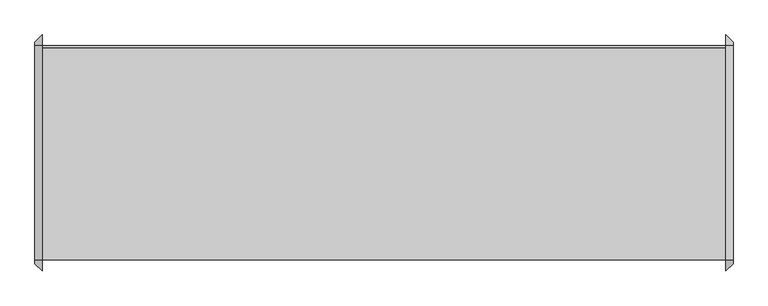
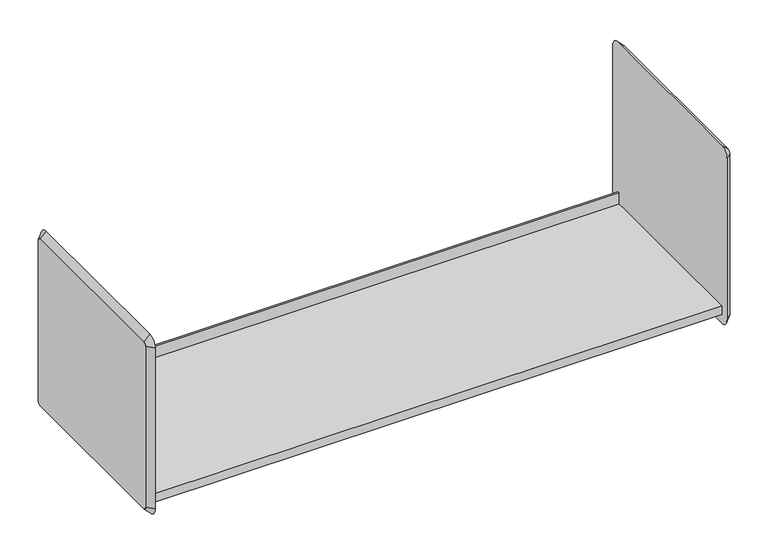
"""IFC4 building model written with IfcOpenShell, lengths in millimetres: furniture geometry."""

from ifc_helpers import new_model, si_unit, frame, origin, place, context, project, spatial, polyline, circle_curve, outline, extrude, source, transform, mapped, element, save
from ifc_brep_helpers import plane_surface, revolved_surface, advanced_brep


def furniture_516f6b5f(model_context):
    return source(origin(), model_context, "Body", "SolidModel", [
        extrude(outline(polyline([(-174.625, 152.4), (196.85, 152.4), (196.85, 177.8), (200.025, 177.8), (200.025, 133.3152313), (-174.625, 133.3152313), (-174.625, 152.4)])), frame((-720.8420045, 0.0, 0.0), z_axis=(1.0, 0.0, 0.0), x_axis=(0.0, 1.0, 0.0)), (0.0, 0.0, 1.0), 1193.8),
        advanced_brep(
        [(485.6579955, 200.025, 495.3), (485.6579955, -174.625, 495.3), (485.6579955, -180.975, 488.95), (485.6579955, -180.975, 133.35), (485.6579955, -174.625, 127.0), (485.6579955, 200.025, 127.0), (485.6579955, 206.375, 133.35), (485.6579955, 206.375, 488.95), (472.9579955, 200.025, 508.0), (472.9579955, 219.075, 488.95), (472.9579955, 219.075, 133.35), (472.9579955, 200.025, 114.3), (472.9579955, -174.625, 114.3), (472.9579955, -193.675, 133.35), (472.9579955, -193.675, 488.95), (472.9579955, -174.625, 508.0)],
        [
            (0, 1),
            (1, 2, circle_curve(frame((485.6579955, -174.625, 488.95), z_axis=(1.0, 0.0, 0.0), x_axis=(0.0, 0.0, 1.0)), 6.35)),
            (2, 3),
            (3, 4, circle_curve(frame((485.6579955, -174.625, 133.35), z_axis=(1.0, 0.0, 0.0), x_axis=(0.0, -1.0, 0.0)), 6.35)),
            (4, 5),
            (5, 6, circle_curve(frame((485.6579955, 200.025, 133.35), z_axis=(1.0, 0.0, 0.0), x_axis=(0.0, 0.0, -1.0)), 6.35)),
            (6, 7),
            (7, 0, circle_curve(frame((485.6579955, 200.025, 488.95), z_axis=(1.0, 0.0, 0.0), x_axis=(0.0, 1.0, 0.0)), 6.35)),
            (8, 9, circle_curve(frame((472.9579955, 200.025, 488.95), z_axis=(-1.0, 0.0, 0.0), x_axis=(0.0, 1.0, 0.0)), 19.05)),
            (9, 10),
            (10, 11, circle_curve(frame((472.9579955, 200.025, 133.35), z_axis=(-1.0, 0.0, 0.0), x_axis=(0.0, 0.0, -1.0)), 19.05)),
            (11, 12),
            (12, 13, circle_curve(frame((472.9579955, -174.625, 133.35), z_axis=(-1.0, 0.0, 0.0), x_axis=(0.0, -1.0, 0.0)), 19.05)),
            (13, 14),
            (14, 15, circle_curve(frame((472.9579955, -174.625, 488.95), z_axis=(-1.0, 0.0, 0.0), x_axis=(0.0, 0.0, 1.0)), 19.05)),
            (15, 8),
            (15, 1),
            (0, 8),
            (14, 2),
            (13, 3),
            (12, 4),
            (11, 5),
            (10, 6),
            (9, 7),
        ],
        [
            plane_surface(frame((485.6579955, 12.7, 311.15), z_axis=(1.0, 0.0, 0.0), x_axis=(0.0, -1.0, 0.0))),
            plane_surface(frame((472.9579955, 12.7, 311.15), z_axis=(-1.0, 0.0, 0.0), x_axis=(0.0, -1.0, 0.0))),
            plane_surface(frame((472.9579955, 12.7, 508.0), z_axis=(0.7071067811862932, 0.0, 0.7071067811868019), x_axis=(0.0, -1.0, 0.0))),
            revolved_surface(polyline([(485.6579955, -174.625, 495.29999999999995), (472.9579955, -174.625, 508.0)]), (492.0079955, -174.625, 488.95), (-1.0, 0.0, 0.0)),
            plane_surface(frame((472.9579955, -193.675, 311.15), z_axis=(0.7071067811862574, -0.7071067811868377, 0.0), x_axis=(0.0, 0.0, -1.0))),
            revolved_surface(polyline([(485.6579955, -180.97499999999997, 133.35), (472.9579955, -193.675, 133.35)]), (492.0079955, -174.625, 133.35), (-1.0, 0.0, 0.0)),
            plane_surface(frame((472.9579955, 12.7, 114.3), z_axis=(0.7071067811862498, 0.0, -0.7071067811868452), x_axis=(0.0, 1.0, 0.0))),
            revolved_surface(polyline([(485.6579955, 200.025, 127.00000000000003), (472.9579955, 200.025, 114.3)]), (492.0079955, 200.025, 133.35), (-1.0, 0.0, 0.0)),
            plane_surface(frame((472.9579955, 219.075, 311.15), z_axis=(0.7071067811862565, 0.7071067811868387, 0.0), x_axis=(0.0, 0.0, 1.0))),
            revolved_surface(polyline([(485.6579955, 206.37499999999997, 488.95), (472.9579955, 219.075, 488.95)]), (492.0079955, 200.025, 488.95), (-1.0, 0.0, 0.0)),
        ],
        [
            (0, [[1, 2, 3, 4, 5, 6, 7, 8]]),
            (1, [[9, 10, 11, 12, 13, 14, 15, 16]]),
            (2, [[-16, 17, -1, 18]]),
            (3, [[-15, 19, -2, -17]]),
            (4, [[-14, 20, -3, -19]]),
            (5, [[-13, 21, -4, -20]]),
            (6, [[-12, 22, -5, -21]]),
            (7, [[-11, 23, -6, -22]]),
            (8, [[-10, 24, -7, -23]]),
            (9, [[-9, -18, -8, -24]]),
        ],
    ),
        advanced_brep(
        [(-733.5420045, -174.625, 495.3), (-733.5420045, 200.025, 495.3), (-733.5420045, 206.375, 488.95), (-733.5420045, 206.375, 133.35), (-733.5420045, 200.025, 127.0), (-733.5420045, -174.625, 127.0), (-733.5420045, -180.975, 133.35), (-733.5420045, -180.975, 488.95), (-720.8420045, -174.625, 508.0), (-720.8420045, -193.675, 488.95), (-720.8420045, -193.675, 133.35), (-720.8420045, -174.625, 114.3), (-720.8420045, 200.025, 114.3), (-720.8420045, 219.075, 133.35), (-720.8420045, 219.075, 488.95), (-720.8420045, 200.025, 508.0)],
        [
            (0, 1),
            (1, 2, circle_curve(frame((-733.5420045, 200.025, 488.95), z_axis=(-1.0, 0.0, 0.0), x_axis=(0.0, 0.0, 1.0)), 6.35)),
            (2, 3),
            (3, 4, circle_curve(frame((-733.5420045, 200.025, 133.35), z_axis=(-1.0, 0.0, 0.0), x_axis=(0.0, 1.0, 0.0)), 6.35)),
            (4, 5),
            (5, 6, circle_curve(frame((-733.5420045, -174.625, 133.35), z_axis=(-1.0, 0.0, 0.0), x_axis=(0.0, 0.0, -1.0)), 6.35)),
            (6, 7),
            (7, 0, circle_curve(frame((-733.5420045, -174.625, 488.95), z_axis=(-1.0, 0.0, 0.0), x_axis=(0.0, -1.0, 0.0)), 6.35)),
            (8, 9, circle_curve(frame((-720.8420045, -174.625, 488.95), z_axis=(1.0, 0.0, 0.0), x_axis=(0.0, -1.0, 0.0)), 19.05)),
            (9, 10),
            (10, 11, circle_curve(frame((-720.8420045, -174.625, 133.35), z_axis=(1.0, 0.0, 0.0), x_axis=(0.0, 0.0, -1.0)), 19.05)),
            (11, 12),
            (12, 13, circle_curve(frame((-720.8420045, 200.025, 133.35), z_axis=(1.0, 0.0, 0.0), x_axis=(0.0, 1.0, 0.0)), 19.05)),
            (13, 14),
            (14, 15, circle_curve(frame((-720.8420045, 200.025, 488.95), z_axis=(1.0, 0.0, 0.0), x_axis=(0.0, 0.0, 1.0)), 19.05)),
            (15, 8),
            (15, 1),
            (0, 8),
            (14, 2),
            (13, 3),
            (12, 4),
            (11, 5),
            (10, 6),
            (9, 7),
        ],
        [
            plane_surface(frame((-733.5420045, 12.7, 311.15), z_axis=(-1.0, 0.0, 0.0), x_axis=(0.0, -1.0, 0.0))),
            plane_surface(frame((-720.8420045, 12.7, 311.15), z_axis=(1.0, 0.0, 0.0), x_axis=(0.0, -1.0, 0.0))),
            plane_surface(frame((-720.8420045, 12.7, 508.0), z_axis=(-0.7071067811865249, 0.0, 0.7071067811865701), x_axis=(0.0, 1.0, 0.0))),
            revolved_surface(polyline([(-733.5420045, 200.025, 495.3), (-720.8420045, 200.025, 508.0)]), (-739.8920045, 200.025, 488.95), (1.0, 0.0, 0.0)),
            plane_surface(frame((-720.8420045, 219.075, 311.15), z_axis=(-0.7071067811865598, 0.7071067811865354, 0.0), x_axis=(0.0, 0.0, -1.0))),
            revolved_surface(polyline([(-733.5420045, 206.37500000000003, 133.35), (-720.8420045, 219.075, 133.35)]), (-739.8920045, 200.025, 133.35), (1.0, 0.0, 0.0)),
            plane_surface(frame((-720.8420045, 12.7, 114.3), z_axis=(-0.7071067811865626, 0.0, -0.7071067811865325), x_axis=(0.0, -1.0, 0.0))),
            revolved_surface(polyline([(-733.5420045, -174.625, 126.99999999999996), (-720.8420045, -174.625, 114.3)]), (-739.8920045, -174.625, 133.35), (1.0, 0.0, 0.0)),
            plane_surface(frame((-720.8420045, -193.675, 311.15), z_axis=(-0.7071067811866003, -0.7071067811864948, 0.0), x_axis=(0.0, 0.0, 1.0))),
            revolved_surface(polyline([(-733.5420045, -180.97500000000005, 488.95), (-720.8420045, -193.675, 488.95)]), (-739.8920045, -174.625, 488.95), (1.0, 0.0, 0.0)),
        ],
        [
            (0, [[1, 2, 3, 4, 5, 6, 7, 8]]),
            (1, [[9, 10, 11, 12, 13, 14, 15, 16]]),
            (2, [[-16, 17, -1, 18]]),
            (3, [[-15, 19, -2, -17]]),
            (4, [[-14, 20, -3, -19]]),
            (5, [[-13, 21, -4, -20]]),
            (6, [[-12, 22, -5, -21]]),
            (7, [[-11, 23, -6, -22]]),
            (8, [[-10, 24, -7, -23]]),
            (9, [[-9, -18, -8, -24]]),
        ],
    ),
    ])


if __name__ == "__main__":
    model = new_model("IFC4")
    model_context = context("Model", 3, world=origin())
    ifc_project = project(units=[si_unit("LENGTHUNIT", "METRE", prefix="MILLI")], contexts=[model_context])
    site = spatial("IfcSite", under=ifc_project)
    building = spatial("IfcBuilding", under=site)
    placement = place(None, origin())
    furniture_shape = furniture_516f6b5f(model_context)
    element("IfcFurniture", 1, at=placement, inside=building, context=model_context, shape_type="MappedRepresentation", body=[
        mapped(furniture_shape, transform((0.0, 0.0, 0.0), x_axis=(1.0, 0.0, 0.0), y_axis=(0.0, 1.0, 0.0), z_axis=(0.0, 0.0, 1.0))),
    ])
    save(model, "model.ifc")
